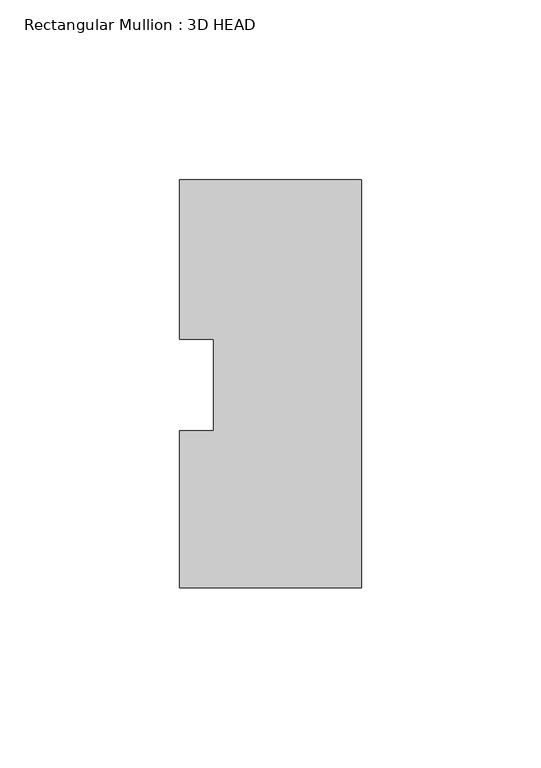
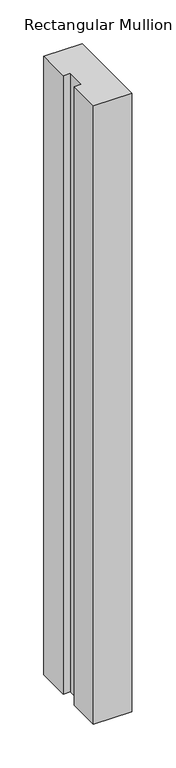
"""IFC4 building model written with IfcOpenShell, lengths in millimetres: member geometry, Rectangular Mullion : 3D HEAD."""

from ifc_helpers import new_model, si_unit, frame, origin, place, context, project, spatial, polyline, outline, extrude, source, transform, mapped, element, save


def rectangular_mullion_3d_head_6af0b7a7(model_context):
    return source(origin(), model_context, "Body", "SweptSolid", [
        extrude(outline(polyline([(0.0, -56.4681052), (-50.8, -56.4681052), (-50.8, -12.6827714), (-41.275, -12.6827714), (-41.275, 12.8118553), (-50.8, 12.8118553), (-50.8, 57.2618553), (0.0, 57.2618553), (0.0, -56.4681052)])), frame((0.0, 0.0, -863.6), z_axis=(0.0, 0.0, 1.0), x_axis=(1.0, 0.0, 0.0)), (0.0, 0.0, 1.0), 863.6),
    ])


if __name__ == "__main__":
    model = new_model("IFC4")
    model_context = context("Model", 3, world=origin())
    ifc_project = project(units=[si_unit("LENGTHUNIT", "METRE", prefix="MILLI")], contexts=[model_context])
    site = spatial("IfcSite", under=ifc_project)
    building = spatial("IfcBuilding", under=site)
    placement = place(None, origin())
    rectangular_mullion_3d_head_shape = rectangular_mullion_3d_head_6af0b7a7(model_context)
    element("IfcMember", 1, ObjectType="Rectangular Mullion : 3D HEAD", at=placement, inside=building, context=model_context, shape_type="MappedRepresentation", body=[
        mapped(rectangular_mullion_3d_head_shape, transform((0.0, 0.0, 0.0), x_axis=(1.0, 0.0, 0.0), y_axis=(0.0, 1.0, 0.0), z_axis=(0.0, 0.0, 1.0))),
    ])
    save(model, "model.ifc")
